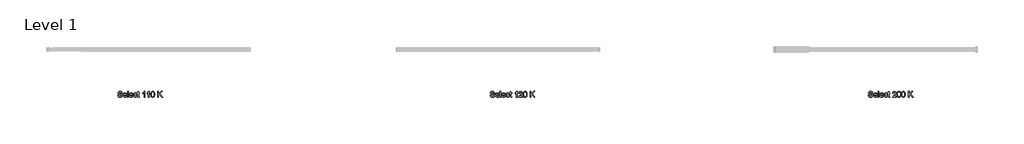
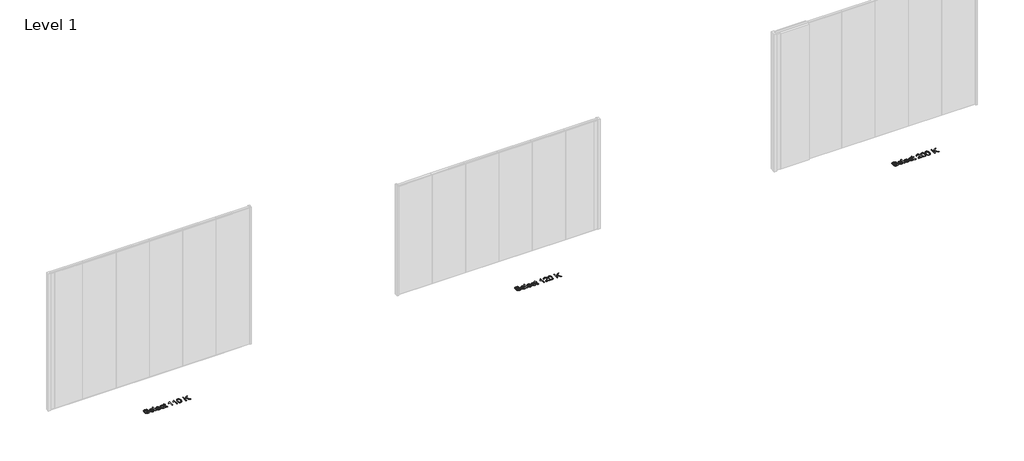
# One storey, part 4 of 4: 3 proxies.
"""IFC4 building model written with IfcOpenShell, lengths in millimetres."""

from ifc_helpers import new_model, si_unit, origin, origin_with_axes, place, context, project, spatial, polyline, outline, extrude, element, save

model = new_model("IFC4")

# Units and contexts
model_context = context("Model", 3, world=origin())
ifc_project = project(units=[si_unit("LENGTHUNIT", "METRE", prefix="MILLI")], contexts=[model_context])

# Site, building, storey
site = spatial("IfcSite", under=ifc_project)
building = spatial("IfcBuilding", under=site)
storey = spatial("IfcBuildingStorey", under=building, Name="Level 1", Elevation=0.0)

# Proxies
placement = place(None, origin())
element("IfcBuildingElementProxy", 1, Name="200mm", ObjectType="200mm", at=placement, inside=storey, context=model_context, shape_type="SweptSolid", body=[
    extrude(outline(polyline([(42959.0438066, -16410.4015229), (42983.6591912, -16410.4015229), (42991.5918835, -16435.040946), (42999.5606335, -16443.7548883), (43010.9668835, -16450.617869), (43024.9091912, -16455.070994), (43040.4861143, -16456.555369), (43066.2072681, -16452.0601767), (43082.817845, -16439.7044075), (43088.2745758, -16423.1899844), (43084.1880373, -16407.8294075), (43077.9620758, -16401.7536863), (43067.4572681, -16396.6515229), (43031.615922, -16387.2524844), (42993.0341912, -16375.1130613), (42980.7805854, -16366.8318113), (42972.0966912, -16356.7957536), (42966.9224123, -16345.2212344), (42965.1976527, -16332.3245998), (42967.3310662, -16317.9075325), (42973.7313066, -16304.4640229), (42984.2301046, -16293.0697921), (42998.6591912, -16284.8005613), (43015.9789027, -16279.7705133), (43035.1495758, -16278.0938306), (43055.9188066, -16279.8486383), (43074.0918835, -16285.1130613), (43089.0197681, -16293.7789267), (43100.053422, -16305.7380613), (43107.036595, -16320.2452729), (43109.8130373, -16336.555369), (43085.1976527, -16336.555369), (43080.678422, -16321.867869), (43071.255345, -16311.2669075), (43056.5317873, -16304.8486383), (43036.1111143, -16302.7092152), (43015.209672, -16304.8245998), (43000.8707296, -16311.1707536), (42992.5774604, -16320.509696), (42989.8130373, -16331.603446), (42991.772172, -16341.0625806), (42997.6495758, -16348.6707536), (43011.5438066, -16355.4736383), (43037.8418835, -16362.4207536), (43081.3995758, -16374.7765229), (43095.4320277, -16383.7068113), (43105.2216912, -16394.728446), (43110.9728931, -16407.7212344), (43112.8899604, -16422.5649844), (43110.6844316, -16437.7392633), (43104.067845, -16452.0120998), (43093.3106335, -16464.2957536), (43078.6832296, -16473.5024844), (43061.0930854, -16479.2536863), (43041.4476527, -16481.1707536), (43017.3310662, -16479.103446), (42997.4813066, -16472.9015229), (42981.6700085, -16462.540946), (42969.6688066, -16447.9976767), (42961.9644796, -16430.2813306), (42959.0438066, -16410.4015229)])), origin_with_axes(), (0.0, 0.0, 1.0), 5.0),
    extrude(outline(polyline([(43247.9861143, -16435.0169075), (43272.1207296, -16438.0938306), (43263.4248162, -16456.2789267), (43249.5486143, -16469.8726767), (43230.8046239, -16478.3462344), (43207.505345, -16481.1707536), (43178.6231335, -16476.2969556), (43156.3995758, -16461.6755613), (43142.2289027, -16438.2560902), (43137.505345, -16406.9880613), (43142.2769796, -16374.6683498), (43156.5918835, -16350.4976767), (43178.5149604, -16335.4255613), (43206.1111143, -16330.4015229), (43232.8478931, -16335.4135421), (43254.2120758, -16350.4495998), (43268.2204893, -16374.572196), (43272.8899604, -16406.8438306), (43272.7457296, -16413.478446), (43162.1207296, -16413.478446), (43166.381547, -16431.9039267), (43176.2793835, -16445.4495998), (43190.5642393, -16453.7789267), (43207.9861143, -16456.555369), (43232.1207296, -16451.4111383), (43241.0870758, -16444.7404652), (43247.9861143, -16435.0169075)]), holes=[polyline([(43162.1207296, -16388.8630613), (43248.2745758, -16388.8630613), (43244.9452489, -16375.8582536), (43238.4188066, -16366.555369), (43224.067845, -16357.9015229), (43206.0149604, -16355.0169075), (43189.4224123, -16357.3185902), (43175.7024604, -16364.2236383), (43166.1652008, -16374.9868594), (43162.1207296, -16388.8630613)])]), origin_with_axes(), (0.0, 0.0, 1.0), 5.0),
    extrude(outline(polyline([(43297.505345, -16478.0938306), (43297.505345, -16281.1707536), (43322.1207296, -16281.1707536), (43322.1207296, -16478.0938306), (43297.505345, -16478.0938306)])), origin_with_axes(), (0.0, 0.0, 1.0), 5.0),
    extrude(outline(polyline([(43460.2938066, -16435.0169075), (43484.428422, -16438.0938306), (43475.7325085, -16456.2789267), (43461.8563066, -16469.8726767), (43443.1123162, -16478.3462344), (43419.8130373, -16481.1707536), (43390.9308258, -16476.2969556), (43368.7072681, -16461.6755613), (43354.536595, -16438.2560902), (43349.8130373, -16406.9880613), (43354.584672, -16374.6683498), (43368.8995758, -16350.4976767), (43390.8226527, -16335.4255613), (43418.4188066, -16330.4015229), (43445.1555854, -16335.4135421), (43466.5197681, -16350.4495998), (43480.5281816, -16374.572196), (43485.1976527, -16406.8438306), (43485.053422, -16413.478446), (43374.428422, -16413.478446), (43378.6892393, -16431.9039267), (43388.5870758, -16445.4495998), (43402.8719316, -16453.7789267), (43420.2938066, -16456.555369), (43444.428422, -16451.4111383), (43453.3947681, -16444.7404652), (43460.2938066, -16435.0169075)]), holes=[polyline([(43374.428422, -16388.8630613), (43460.5822681, -16388.8630613), (43457.2529412, -16375.8582536), (43450.7264989, -16366.555369), (43436.3755373, -16357.9015229), (43418.3226527, -16355.0169075), (43401.7301046, -16357.3185902), (43388.0101527, -16364.2236383), (43378.4728931, -16374.9868594), (43374.428422, -16388.8630613)])]), origin_with_axes(), (0.0, 0.0, 1.0), 5.0),
    extrude(outline(polyline([(43602.1207296, -16425.7861383), (43626.7361143, -16428.8630613), (43619.8731335, -16450.7560902), (43606.9764989, -16467.3005613), (43589.2601527, -16477.7032056), (43567.9380373, -16481.1707536), (43541.7541431, -16476.3330133), (43521.2793835, -16461.8197921), (43508.0642393, -16438.2681094), (43503.6591912, -16406.3149844), (43505.5402008, -16384.4099363), (43511.1832296, -16365.4255613), (43520.678422, -16350.0950325), (43534.115922, -16339.1515229), (43550.1916431, -16332.5890229), (43567.6014989, -16330.4015229), (43588.4007777, -16333.4063306), (43605.0293835, -16342.4207536), (43616.95847, -16356.9640229), (43623.6591912, -16376.555369), (43599.0438066, -16379.6322921), (43594.5786623, -16368.8931094), (43587.6255373, -16361.1947921), (43578.569047, -16356.5613786), (43567.7938066, -16355.0169075), (43551.8863546, -16358.0577729), (43539.2601527, -16367.180369), (43531.02097, -16382.8774844), (43528.2745758, -16405.6419075), (43530.9608739, -16428.712821), (43539.0197681, -16444.4640229), (43551.4176046, -16453.5325325), (43567.1207296, -16456.555369), (43579.8671239, -16454.6683498), (43590.317845, -16449.0072921), (43597.9200085, -16439.4279652), (43602.1207296, -16425.7861383)])), origin_with_axes(), (0.0, 0.0, 1.0), 5.0),
    extrude(outline(polyline([(43700.5822681, -16457.5649844), (43703.6591912, -16478.8149844), (43685.2457296, -16481.1707536), (43664.6207296, -16477.0842152), (43654.3322681, -16466.3630613), (43651.3514989, -16438.430369), (43651.3514989, -16358.0938306), (43632.8899604, -16358.0938306), (43632.8899604, -16333.478446), (43651.3514989, -16333.478446), (43651.3514989, -16298.3342152), (43675.9668835, -16283.8630613), (43675.9668835, -16333.478446), (43700.5822681, -16333.478446), (43700.5822681, -16358.0938306), (43675.9668835, -16358.0938306), (43675.9668835, -16437.7092152), (43677.2649604, -16450.4015229), (43681.4716912, -16454.8967152), (43689.8611143, -16456.555369), (43700.5822681, -16457.5649844)])), origin_with_axes(), (0.0, 0.0, 1.0), 5.0),
    extrude(outline(polyline([(43888.2745758, -16478.0938306), (43863.6591912, -16478.0938306), (43863.6591912, -16324.6322921), (43840.3418835, -16341.242869), (43814.428422, -16353.6707536), (43814.428422, -16330.4015229), (43850.5101527, -16307.3726767), (43863.7132777, -16294.0673883), (43872.4091912, -16281.1707536), (43888.2745758, -16281.1707536), (43888.2745758, -16478.0938306)])), origin_with_axes(), (0.0, 0.0, 1.0), 5.0),
    extrude(outline(polyline([(44039.0438066, -16478.0938306), (44014.428422, -16478.0938306), (44014.428422, -16324.6322921), (43991.1111143, -16341.242869), (43965.1976527, -16353.6707536), (43965.1976527, -16330.4015229), (44001.2793835, -16307.3726767), (44014.4825085, -16294.0673883), (44023.178422, -16281.1707536), (44039.0438066, -16281.1707536), (44039.0438066, -16478.0938306)])), origin_with_axes(), (0.0, 0.0, 1.0), 5.0),
    extrude(outline(polyline([(44097.505345, -16381.2188306), (44099.3142393, -16349.6983979), (44104.740922, -16324.5601767), (44113.7313066, -16305.4195517), (44126.2313066, -16291.8919075), (44142.3310662, -16283.8510421), (44162.1207296, -16281.1707536), (44177.2889989, -16282.7572921), (44190.8707296, -16287.5169075), (44202.2289027, -16295.2633017), (44210.7264989, -16305.8101767), (44222.2649604, -16334.9447921), (44226.7361143, -16381.2188306), (44224.9452489, -16412.5589748), (44219.5726527, -16437.6370998), (44210.6363546, -16456.7957536), (44198.1543835, -16470.3774844), (44182.0185662, -16478.4724363), (44162.1207296, -16481.1707536), (44136.5438066, -16476.4832536), (44117.1207296, -16462.4207536), (44108.5389989, -16447.5920277), (44102.4091912, -16429.1154652), (44097.505345, -16381.2188306)]), holes=[polyline([(44122.1207296, -16381.1707536), (44125.005345, -16419.8907056), (44133.6591912, -16442.3005613), (44146.5438066, -16452.9916671), (44162.1207296, -16456.555369), (44177.6976527, -16452.9796479), (44190.5822681, -16442.2524844), (44199.2361143, -16419.8306094), (44202.1207296, -16381.1707536), (44199.3322681, -16343.322196), (44190.9668835, -16320.7380613), (44178.1063066, -16309.524119), (44161.8322681, -16305.7861383), (44146.4236143, -16309.0794075), (44134.0438066, -16318.9592152), (44125.1014989, -16342.9495998), (44122.1207296, -16381.1707536)])]), origin_with_axes(), (0.0, 0.0, 1.0), 5.0),
    extrude(outline(polyline([(44334.428422, -16478.0938306), (44334.428422, -16281.1707536), (44359.0438066, -16281.1707536), (44359.0438066, -16377.5649844), (44460.005345, -16281.1707536), (44494.428422, -16281.1707536), (44409.6688066, -16362.1322921), (44497.505345, -16478.0938306), (44467.4091912, -16478.0938306), (44392.2168835, -16378.7669075), (44359.0438066, -16410.4015229), (44359.0438066, -16478.0938306), (44334.428422, -16478.0938306)])), origin_with_axes(), (0.0, 0.0, 1.0), 5.0),
])
element("IfcBuildingElementProxy", 2, Name="200mm", ObjectType="200mm", at=placement, inside=storey, context=model_context, shape_type="SweptSolid", body=[
    extrude(outline(polyline([(55759.0438066, -16410.4015229), (55783.6591912, -16410.4015229), (55791.5918835, -16435.040946), (55799.5606335, -16443.7548883), (55810.9668835, -16450.617869), (55824.9091912, -16455.070994), (55840.4861143, -16456.555369), (55866.2072681, -16452.0601767), (55882.817845, -16439.7044075), (55888.2745758, -16423.1899844), (55884.1880373, -16407.8294075), (55877.9620758, -16401.7536863), (55867.4572681, -16396.6515229), (55831.615922, -16387.2524844), (55793.0341912, -16375.1130613), (55780.7805854, -16366.8318113), (55772.0966912, -16356.7957536), (55766.9224123, -16345.2212344), (55765.1976527, -16332.3245998), (55767.3310662, -16317.9075325), (55773.7313066, -16304.4640229), (55784.2301046, -16293.0697921), (55798.6591912, -16284.8005613), (55815.9789027, -16279.7705133), (55835.1495758, -16278.0938306), (55855.9188066, -16279.8486383), (55874.0918835, -16285.1130613), (55889.0197681, -16293.7789267), (55900.053422, -16305.7380613), (55907.036595, -16320.2452729), (55909.8130373, -16336.555369), (55885.1976527, -16336.555369), (55880.678422, -16321.867869), (55871.255345, -16311.2669075), (55856.5317873, -16304.8486383), (55836.1111143, -16302.7092152), (55815.209672, -16304.8245998), (55800.8707296, -16311.1707536), (55792.5774604, -16320.509696), (55789.8130373, -16331.603446), (55791.772172, -16341.0625806), (55797.6495758, -16348.6707536), (55811.5438066, -16355.4736383), (55837.8418835, -16362.4207536), (55881.3995758, -16374.7765229), (55895.4320277, -16383.7068113), (55905.2216912, -16394.728446), (55910.9728931, -16407.7212344), (55912.8899604, -16422.5649844), (55910.6844316, -16437.7392633), (55904.067845, -16452.0120998), (55893.3106335, -16464.2957536), (55878.6832296, -16473.5024844), (55861.0930854, -16479.2536863), (55841.4476527, -16481.1707536), (55817.3310662, -16479.103446), (55797.4813066, -16472.9015229), (55781.6700085, -16462.540946), (55769.6688066, -16447.9976767), (55761.9644796, -16430.2813306), (55759.0438066, -16410.4015229)])), origin_with_axes(), (0.0, 0.0, 1.0), 5.0),
    extrude(outline(polyline([(56047.9861143, -16435.0169075), (56072.1207296, -16438.0938306), (56063.4248162, -16456.2789267), (56049.5486143, -16469.8726767), (56030.8046239, -16478.3462344), (56007.505345, -16481.1707536), (55978.6231335, -16476.2969556), (55956.3995758, -16461.6755613), (55942.2289027, -16438.2560902), (55937.505345, -16406.9880613), (55942.2769796, -16374.6683498), (55956.5918835, -16350.4976767), (55978.5149604, -16335.4255613), (56006.1111143, -16330.4015229), (56032.8478931, -16335.4135421), (56054.2120758, -16350.4495998), (56068.2204893, -16374.572196), (56072.8899604, -16406.8438306), (56072.7457296, -16413.478446), (55962.1207296, -16413.478446), (55966.381547, -16431.9039267), (55976.2793835, -16445.4495998), (55990.5642393, -16453.7789267), (56007.9861143, -16456.555369), (56032.1207296, -16451.4111383), (56041.0870758, -16444.7404652), (56047.9861143, -16435.0169075)]), holes=[polyline([(55962.1207296, -16388.8630613), (56048.2745758, -16388.8630613), (56044.9452489, -16375.8582536), (56038.4188066, -16366.555369), (56024.067845, -16357.9015229), (56006.0149604, -16355.0169075), (55989.4224123, -16357.3185902), (55975.7024604, -16364.2236383), (55966.1652008, -16374.9868594), (55962.1207296, -16388.8630613)])]), origin_with_axes(), (0.0, 0.0, 1.0), 5.0),
    extrude(outline(polyline([(56097.505345, -16478.0938306), (56097.505345, -16281.1707536), (56122.1207296, -16281.1707536), (56122.1207296, -16478.0938306), (56097.505345, -16478.0938306)])), origin_with_axes(), (0.0, 0.0, 1.0), 5.0),
    extrude(outline(polyline([(56260.2938066, -16435.0169075), (56284.428422, -16438.0938306), (56275.7325085, -16456.2789267), (56261.8563066, -16469.8726767), (56243.1123162, -16478.3462344), (56219.8130373, -16481.1707536), (56190.9308258, -16476.2969556), (56168.7072681, -16461.6755613), (56154.536595, -16438.2560902), (56149.8130373, -16406.9880613), (56154.584672, -16374.6683498), (56168.8995758, -16350.4976767), (56190.8226527, -16335.4255613), (56218.4188066, -16330.4015229), (56245.1555854, -16335.4135421), (56266.5197681, -16350.4495998), (56280.5281816, -16374.572196), (56285.1976527, -16406.8438306), (56285.053422, -16413.478446), (56174.428422, -16413.478446), (56178.6892393, -16431.9039267), (56188.5870758, -16445.4495998), (56202.8719316, -16453.7789267), (56220.2938066, -16456.555369), (56244.428422, -16451.4111383), (56253.3947681, -16444.7404652), (56260.2938066, -16435.0169075)]), holes=[polyline([(56174.428422, -16388.8630613), (56260.5822681, -16388.8630613), (56257.2529412, -16375.8582536), (56250.7264989, -16366.555369), (56236.3755373, -16357.9015229), (56218.3226527, -16355.0169075), (56201.7301046, -16357.3185902), (56188.0101527, -16364.2236383), (56178.4728931, -16374.9868594), (56174.428422, -16388.8630613)])]), origin_with_axes(), (0.0, 0.0, 1.0), 5.0),
    extrude(outline(polyline([(56402.1207296, -16425.7861383), (56426.7361143, -16428.8630613), (56419.8731335, -16450.7560902), (56406.9764989, -16467.3005613), (56389.2601527, -16477.7032056), (56367.9380373, -16481.1707536), (56341.7541431, -16476.3330133), (56321.2793835, -16461.8197921), (56308.0642393, -16438.2681094), (56303.6591912, -16406.3149844), (56305.5402008, -16384.4099363), (56311.1832296, -16365.4255613), (56320.678422, -16350.0950325), (56334.115922, -16339.1515229), (56350.1916431, -16332.5890229), (56367.6014989, -16330.4015229), (56388.4007777, -16333.4063306), (56405.0293835, -16342.4207536), (56416.95847, -16356.9640229), (56423.6591912, -16376.555369), (56399.0438066, -16379.6322921), (56394.5786623, -16368.8931094), (56387.6255373, -16361.1947921), (56378.569047, -16356.5613786), (56367.7938066, -16355.0169075), (56351.8863546, -16358.0577729), (56339.2601527, -16367.180369), (56331.02097, -16382.8774844), (56328.2745758, -16405.6419075), (56330.9608739, -16428.712821), (56339.0197681, -16444.4640229), (56351.4176046, -16453.5325325), (56367.1207296, -16456.555369), (56379.8671239, -16454.6683498), (56390.317845, -16449.0072921), (56397.9200085, -16439.4279652), (56402.1207296, -16425.7861383)])), origin_with_axes(), (0.0, 0.0, 1.0), 5.0),
    extrude(outline(polyline([(56500.5822681, -16457.5649844), (56503.6591912, -16478.8149844), (56485.2457296, -16481.1707536), (56464.6207296, -16477.0842152), (56454.3322681, -16466.3630613), (56451.3514989, -16438.430369), (56451.3514989, -16358.0938306), (56432.8899604, -16358.0938306), (56432.8899604, -16333.478446), (56451.3514989, -16333.478446), (56451.3514989, -16298.3342152), (56475.9668835, -16283.8630613), (56475.9668835, -16333.478446), (56500.5822681, -16333.478446), (56500.5822681, -16358.0938306), (56475.9668835, -16358.0938306), (56475.9668835, -16437.7092152), (56477.2649604, -16450.4015229), (56481.4716912, -16454.8967152), (56489.8611143, -16456.555369), (56500.5822681, -16457.5649844)])), origin_with_axes(), (0.0, 0.0, 1.0), 5.0),
    extrude(outline(polyline([(56688.2745758, -16478.0938306), (56663.6591912, -16478.0938306), (56663.6591912, -16324.6322921), (56640.3418835, -16341.242869), (56614.428422, -16353.6707536), (56614.428422, -16330.4015229), (56650.5101527, -16307.3726767), (56663.7132777, -16294.0673883), (56672.4091912, -16281.1707536), (56688.2745758, -16281.1707536), (56688.2745758, -16478.0938306)])), origin_with_axes(), (0.0, 0.0, 1.0), 5.0),
    extrude(outline(polyline([(56872.8899604, -16453.478446), (56872.8899604, -16478.0938306), (56743.6591912, -16478.0938306), (56746.303422, -16461.1226767), (56761.255345, -16434.992869), (56792.0726527, -16406.4592152), (56834.5726527, -16365.4495998), (56842.5414027, -16351.3149844), (56845.1976527, -16337.5649844), (56842.6916431, -16325.2392633), (56835.1736143, -16314.992869), (56823.6171239, -16308.087821), (56808.9957296, -16305.7861383), (56793.6411623, -16308.0337344), (56781.7120758, -16314.7765229), (56774.0137585, -16325.4856575), (56771.3514989, -16339.6322921), (56746.7361143, -16336.555369), (56752.7036623, -16312.7452729), (56765.6063066, -16295.353446), (56784.77097, -16284.7164267), (56809.5245758, -16281.1707536), (56834.45847, -16285.1130613), (56853.5870758, -16296.9399844), (56865.756547, -16314.6082536), (56869.8130373, -16336.0745998), (56865.4380373, -16359.415946), (56850.8947681, -16383.5505613), (56815.630345, -16417.2765229), (56787.3130373, -16440.9544075), (56776.2072681, -16453.478446), (56872.8899604, -16453.478446)])), origin_with_axes(), (0.0, 0.0, 1.0), 5.0),
    extrude(outline(polyline([(56897.505345, -16381.2188306), (56899.3142393, -16349.6983979), (56904.740922, -16324.5601767), (56913.7313066, -16305.4195517), (56926.2313066, -16291.8919075), (56942.3310662, -16283.8510421), (56962.1207296, -16281.1707536), (56977.2889989, -16282.7572921), (56990.8707296, -16287.5169075), (57002.2289027, -16295.2633017), (57010.7264989, -16305.8101767), (57022.2649604, -16334.9447921), (57026.7361143, -16381.2188306), (57024.9452489, -16412.5589748), (57019.5726527, -16437.6370998), (57010.6363546, -16456.7957536), (56998.1543835, -16470.3774844), (56982.0185662, -16478.4724363), (56962.1207296, -16481.1707536), (56936.5438066, -16476.4832536), (56917.1207296, -16462.4207536), (56908.5389989, -16447.5920277), (56902.4091912, -16429.1154652), (56897.505345, -16381.2188306)]), holes=[polyline([(56922.1207296, -16381.1707536), (56925.005345, -16419.8907056), (56933.6591912, -16442.3005613), (56946.5438066, -16452.9916671), (56962.1207296, -16456.555369), (56977.6976527, -16452.9796479), (56990.5822681, -16442.2524844), (56999.2361143, -16419.8306094), (57002.1207296, -16381.1707536), (56999.3322681, -16343.322196), (56990.9668835, -16320.7380613), (56978.1063066, -16309.524119), (56961.8322681, -16305.7861383), (56946.4236143, -16309.0794075), (56934.0438066, -16318.9592152), (56925.1014989, -16342.9495998), (56922.1207296, -16381.1707536)])]), origin_with_axes(), (0.0, 0.0, 1.0), 5.0),
    extrude(outline(polyline([(57134.428422, -16478.0938306), (57134.428422, -16281.1707536), (57159.0438066, -16281.1707536), (57159.0438066, -16377.5649844), (57260.005345, -16281.1707536), (57294.428422, -16281.1707536), (57209.6688066, -16362.1322921), (57297.505345, -16478.0938306), (57267.4091912, -16478.0938306), (57192.2168835, -16378.7669075), (57159.0438066, -16410.4015229), (57159.0438066, -16478.0938306), (57134.428422, -16478.0938306)])), origin_with_axes(), (0.0, 0.0, 1.0), 5.0),
])
element("IfcBuildingElementProxy", 3, Name="200mm", ObjectType="200mm", at=placement, inside=storey, context=model_context, shape_type="SweptSolid", body=[
    extrude(outline(polyline([(68759.0438066, -16410.4015229), (68783.6591912, -16410.4015229), (68791.5918835, -16435.040946), (68799.5606335, -16443.7548883), (68810.9668835, -16450.617869), (68824.9091912, -16455.070994), (68840.4861143, -16456.555369), (68866.2072681, -16452.0601767), (68882.817845, -16439.7044075), (68888.2745758, -16423.1899844), (68884.1880373, -16407.8294075), (68877.9620758, -16401.7536863), (68867.4572681, -16396.6515229), (68831.615922, -16387.2524844), (68793.0341912, -16375.1130613), (68780.7805854, -16366.8318113), (68772.0966912, -16356.7957536), (68766.9224123, -16345.2212344), (68765.1976527, -16332.3245998), (68767.3310662, -16317.9075325), (68773.7313066, -16304.4640229), (68784.2301046, -16293.0697921), (68798.6591912, -16284.8005613), (68815.9789027, -16279.7705133), (68835.1495758, -16278.0938306), (68855.9188066, -16279.8486383), (68874.0918835, -16285.1130613), (68889.0197681, -16293.7789267), (68900.053422, -16305.7380613), (68907.036595, -16320.2452729), (68909.8130373, -16336.555369), (68885.1976527, -16336.555369), (68880.678422, -16321.867869), (68871.255345, -16311.2669075), (68856.5317873, -16304.8486383), (68836.1111143, -16302.7092152), (68815.209672, -16304.8245998), (68800.8707296, -16311.1707536), (68792.5774604, -16320.509696), (68789.8130373, -16331.603446), (68791.772172, -16341.0625806), (68797.6495758, -16348.6707536), (68811.5438066, -16355.4736383), (68837.8418835, -16362.4207536), (68881.3995758, -16374.7765229), (68895.4320277, -16383.7068113), (68905.2216912, -16394.728446), (68910.9728931, -16407.7212344), (68912.8899604, -16422.5649844), (68910.6844316, -16437.7392633), (68904.067845, -16452.0120998), (68893.3106335, -16464.2957536), (68878.6832296, -16473.5024844), (68861.0930854, -16479.2536863), (68841.4476527, -16481.1707536), (68817.3310662, -16479.103446), (68797.4813066, -16472.9015229), (68781.6700085, -16462.540946), (68769.6688066, -16447.9976767), (68761.9644796, -16430.2813306), (68759.0438066, -16410.4015229)])), origin_with_axes(), (0.0, 0.0, 1.0), 5.0),
    extrude(outline(polyline([(69047.9861143, -16435.0169075), (69072.1207296, -16438.0938306), (69063.4248162, -16456.2789267), (69049.5486143, -16469.8726767), (69030.8046239, -16478.3462344), (69007.505345, -16481.1707536), (68978.6231335, -16476.2969556), (68956.3995758, -16461.6755613), (68942.2289027, -16438.2560902), (68937.505345, -16406.9880613), (68942.2769796, -16374.6683498), (68956.5918835, -16350.4976767), (68978.5149604, -16335.4255613), (69006.1111143, -16330.4015229), (69032.8478931, -16335.4135421), (69054.2120758, -16350.4495998), (69068.2204893, -16374.572196), (69072.8899604, -16406.8438306), (69072.7457296, -16413.478446), (68962.1207296, -16413.478446), (68966.381547, -16431.9039267), (68976.2793835, -16445.4495998), (68990.5642393, -16453.7789267), (69007.9861143, -16456.555369), (69032.1207296, -16451.4111383), (69041.0870758, -16444.7404652), (69047.9861143, -16435.0169075)]), holes=[polyline([(68962.1207296, -16388.8630613), (69048.2745758, -16388.8630613), (69044.9452489, -16375.8582536), (69038.4188066, -16366.555369), (69024.067845, -16357.9015229), (69006.0149604, -16355.0169075), (68989.4224123, -16357.3185902), (68975.7024604, -16364.2236383), (68966.1652008, -16374.9868594), (68962.1207296, -16388.8630613)])]), origin_with_axes(), (0.0, 0.0, 1.0), 5.0),
    extrude(outline(polyline([(69097.505345, -16478.0938306), (69097.505345, -16281.1707536), (69122.1207296, -16281.1707536), (69122.1207296, -16478.0938306), (69097.505345, -16478.0938306)])), origin_with_axes(), (0.0, 0.0, 1.0), 5.0),
    extrude(outline(polyline([(69260.2938066, -16435.0169075), (69284.428422, -16438.0938306), (69275.7325085, -16456.2789267), (69261.8563066, -16469.8726767), (69243.1123162, -16478.3462344), (69219.8130373, -16481.1707536), (69190.9308258, -16476.2969556), (69168.7072681, -16461.6755613), (69154.536595, -16438.2560902), (69149.8130373, -16406.9880613), (69154.584672, -16374.6683498), (69168.8995758, -16350.4976767), (69190.8226527, -16335.4255613), (69218.4188066, -16330.4015229), (69245.1555854, -16335.4135421), (69266.5197681, -16350.4495998), (69280.5281816, -16374.572196), (69285.1976527, -16406.8438306), (69285.053422, -16413.478446), (69174.428422, -16413.478446), (69178.6892393, -16431.9039267), (69188.5870758, -16445.4495998), (69202.8719316, -16453.7789267), (69220.2938066, -16456.555369), (69244.428422, -16451.4111383), (69253.3947681, -16444.7404652), (69260.2938066, -16435.0169075)]), holes=[polyline([(69174.428422, -16388.8630613), (69260.5822681, -16388.8630613), (69257.2529412, -16375.8582536), (69250.7264989, -16366.555369), (69236.3755373, -16357.9015229), (69218.3226527, -16355.0169075), (69201.7301046, -16357.3185902), (69188.0101527, -16364.2236383), (69178.4728931, -16374.9868594), (69174.428422, -16388.8630613)])]), origin_with_axes(), (0.0, 0.0, 1.0), 5.0),
    extrude(outline(polyline([(69402.1207296, -16425.7861383), (69426.7361143, -16428.8630613), (69419.8731335, -16450.7560902), (69406.9764989, -16467.3005613), (69389.2601527, -16477.7032056), (69367.9380373, -16481.1707536), (69341.7541431, -16476.3330133), (69321.2793835, -16461.8197921), (69308.0642393, -16438.2681094), (69303.6591912, -16406.3149844), (69305.5402008, -16384.4099363), (69311.1832296, -16365.4255613), (69320.678422, -16350.0950325), (69334.115922, -16339.1515229), (69350.1916431, -16332.5890229), (69367.6014989, -16330.4015229), (69388.4007777, -16333.4063306), (69405.0293835, -16342.4207536), (69416.95847, -16356.9640229), (69423.6591912, -16376.555369), (69399.0438066, -16379.6322921), (69394.5786623, -16368.8931094), (69387.6255373, -16361.1947921), (69378.569047, -16356.5613786), (69367.7938066, -16355.0169075), (69351.8863546, -16358.0577729), (69339.2601527, -16367.180369), (69331.02097, -16382.8774844), (69328.2745758, -16405.6419075), (69330.9608739, -16428.712821), (69339.0197681, -16444.4640229), (69351.4176046, -16453.5325325), (69367.1207296, -16456.555369), (69379.8671239, -16454.6683498), (69390.317845, -16449.0072921), (69397.9200085, -16439.4279652), (69402.1207296, -16425.7861383)])), origin_with_axes(), (0.0, 0.0, 1.0), 5.0),
    extrude(outline(polyline([(69500.5822681, -16457.5649844), (69503.6591912, -16478.8149844), (69485.2457296, -16481.1707536), (69464.6207296, -16477.0842152), (69454.3322681, -16466.3630613), (69451.3514989, -16438.430369), (69451.3514989, -16358.0938306), (69432.8899604, -16358.0938306), (69432.8899604, -16333.478446), (69451.3514989, -16333.478446), (69451.3514989, -16298.3342152), (69475.9668835, -16283.8630613), (69475.9668835, -16333.478446), (69500.5822681, -16333.478446), (69500.5822681, -16358.0938306), (69475.9668835, -16358.0938306), (69475.9668835, -16437.7092152), (69477.2649604, -16450.4015229), (69481.4716912, -16454.8967152), (69489.8611143, -16456.555369), (69500.5822681, -16457.5649844)])), origin_with_axes(), (0.0, 0.0, 1.0), 5.0),
    extrude(outline(polyline([(69722.1207296, -16453.478446), (69722.1207296, -16478.0938306), (69592.8899604, -16478.0938306), (69595.5341912, -16461.1226767), (69610.4861143, -16434.992869), (69641.303422, -16406.4592152), (69683.803422, -16365.4495998), (69691.772172, -16351.3149844), (69694.428422, -16337.5649844), (69691.9224123, -16325.2392633), (69684.4043835, -16314.992869), (69672.8478931, -16308.087821), (69658.2264989, -16305.7861383), (69642.8719316, -16308.0337344), (69630.942845, -16314.7765229), (69623.2445277, -16325.4856575), (69620.5822681, -16339.6322921), (69595.9668835, -16336.555369), (69601.9344316, -16312.7452729), (69614.8370758, -16295.353446), (69634.0017393, -16284.7164267), (69658.755345, -16281.1707536), (69683.6892393, -16285.1130613), (69702.817845, -16296.9399844), (69714.9873162, -16314.6082536), (69719.0438066, -16336.0745998), (69714.6688066, -16359.415946), (69700.1255373, -16383.5505613), (69664.8611143, -16417.2765229), (69636.5438066, -16440.9544075), (69625.4380373, -16453.478446), (69722.1207296, -16453.478446)])), origin_with_axes(), (0.0, 0.0, 1.0), 5.0),
    extrude(outline(polyline([(69746.7361143, -16381.2188306), (69748.5450085, -16349.6983979), (69753.9716912, -16324.5601767), (69762.9620758, -16305.4195517), (69775.4620758, -16291.8919075), (69791.5618354, -16283.8510421), (69811.3514989, -16281.1707536), (69826.5197681, -16282.7572921), (69840.1014989, -16287.5169075), (69851.459672, -16295.2633017), (69859.9572681, -16305.8101767), (69871.4957296, -16334.9447921), (69875.9668835, -16381.2188306), (69874.1760181, -16412.5589748), (69868.803422, -16437.6370998), (69859.8671239, -16456.7957536), (69847.3851527, -16470.3774844), (69831.2493354, -16478.4724363), (69811.3514989, -16481.1707536), (69785.7745758, -16476.4832536), (69766.3514989, -16462.4207536), (69757.7697681, -16447.5920277), (69751.6399604, -16429.1154652), (69746.7361143, -16381.2188306)]), holes=[polyline([(69771.3514989, -16381.1707536), (69774.2361143, -16419.8907056), (69782.8899604, -16442.3005613), (69795.7745758, -16452.9916671), (69811.3514989, -16456.555369), (69826.928422, -16452.9796479), (69839.8130373, -16442.2524844), (69848.4668835, -16419.8306094), (69851.3514989, -16381.1707536), (69848.5630373, -16343.322196), (69840.1976527, -16320.7380613), (69827.3370758, -16309.524119), (69811.0630373, -16305.7861383), (69795.6543835, -16309.0794075), (69783.2745758, -16318.9592152), (69774.3322681, -16342.9495998), (69771.3514989, -16381.1707536)])]), origin_with_axes(), (0.0, 0.0, 1.0), 5.0),
    extrude(outline(polyline([(69897.505345, -16381.2188306), (69899.3142393, -16349.6983979), (69904.740922, -16324.5601767), (69913.7313066, -16305.4195517), (69926.2313066, -16291.8919075), (69942.3310662, -16283.8510421), (69962.1207296, -16281.1707536), (69977.2889989, -16282.7572921), (69990.8707296, -16287.5169075), (70002.2289027, -16295.2633017), (70010.7264989, -16305.8101767), (70022.2649604, -16334.9447921), (70026.7361143, -16381.2188306), (70024.9452489, -16412.5589748), (70019.5726527, -16437.6370998), (70010.6363546, -16456.7957536), (69998.1543835, -16470.3774844), (69982.0185662, -16478.4724363), (69962.1207296, -16481.1707536), (69936.5438066, -16476.4832536), (69917.1207296, -16462.4207536), (69908.5389989, -16447.5920277), (69902.4091912, -16429.1154652), (69897.505345, -16381.2188306)]), holes=[polyline([(69922.1207296, -16381.1707536), (69925.005345, -16419.8907056), (69933.6591912, -16442.3005613), (69946.5438066, -16452.9916671), (69962.1207296, -16456.555369), (69977.6976527, -16452.9796479), (69990.5822681, -16442.2524844), (69999.2361143, -16419.8306094), (70002.1207296, -16381.1707536), (69999.3322681, -16343.322196), (69990.9668835, -16320.7380613), (69978.1063066, -16309.524119), (69961.8322681, -16305.7861383), (69946.4236143, -16309.0794075), (69934.0438066, -16318.9592152), (69925.1014989, -16342.9495998), (69922.1207296, -16381.1707536)])]), origin_with_axes(), (0.0, 0.0, 1.0), 5.0),
    extrude(outline(polyline([(70134.428422, -16478.0938306), (70134.428422, -16281.1707536), (70159.0438066, -16281.1707536), (70159.0438066, -16377.5649844), (70260.005345, -16281.1707536), (70294.428422, -16281.1707536), (70209.6688066, -16362.1322921), (70297.505345, -16478.0938306), (70267.4091912, -16478.0938306), (70192.2168835, -16378.7669075), (70159.0438066, -16410.4015229), (70159.0438066, -16478.0938306), (70134.428422, -16478.0938306)])), origin_with_axes(), (0.0, 0.0, 1.0), 5.0),
])

save(model, "model.ifc")
